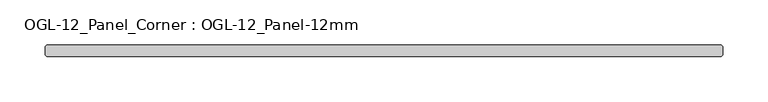
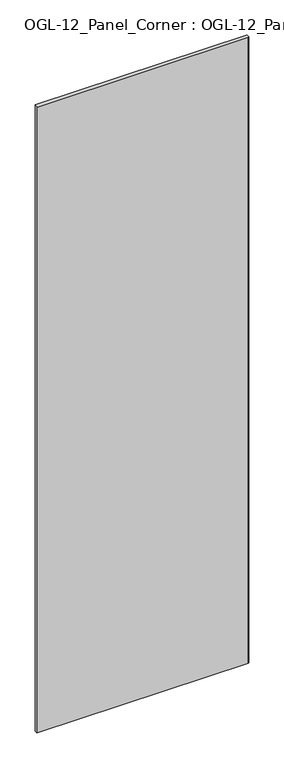
"""IFC4 building model written with IfcOpenShell, lengths in millimetres: plate geometry, OGL-12_Panel_Corner : OGL-12_Panel-12mm."""

from ifc_helpers import new_model, si_unit, origin, origin_with_axes, place, context, project, spatial, polyline, outline, extrude, source, transform, mapped, element, save


def ogl_12_panel_corner_ogl_12_panel_12mm_0a32be17(model_context):
    return source(origin(), model_context, "Body", "SweptSolid", [
        extrude(outline(polyline([(373.090952, -6.35), (-373.090952, -6.35), (-374.678452, -4.7625), (-374.678452, 4.7625), (-373.090952, 6.35), (373.090952, 6.35), (374.678452, 4.7625), (374.678452, -4.7625), (373.090952, -6.35)])), origin_with_axes(), (0.0, 0.0, 1.0), 2339.914687),
    ])


if __name__ == "__main__":
    model = new_model("IFC4")
    model_context = context("Model", 3, world=origin())
    ifc_project = project(units=[si_unit("LENGTHUNIT", "METRE", prefix="MILLI")], contexts=[model_context])
    site = spatial("IfcSite", under=ifc_project)
    building = spatial("IfcBuilding", under=site)
    placement = place(None, origin())
    ogl_12_panel_corner_ogl_12_panel_12mm_shape = ogl_12_panel_corner_ogl_12_panel_12mm_0a32be17(model_context)
    element("IfcPlate", 1, ObjectType="OGL-12_Panel_Corner : OGL-12_Panel-12mm", at=placement, inside=building, context=model_context, shape_type="MappedRepresentation", body=[
        mapped(ogl_12_panel_corner_ogl_12_panel_12mm_shape, transform((0.0, 0.0, 0.0), x_axis=(1.0, 0.0, 0.0), y_axis=(0.0, 1.0, 0.0), z_axis=(0.0, 0.0, 1.0))),
    ])
    save(model, "model.ifc")
